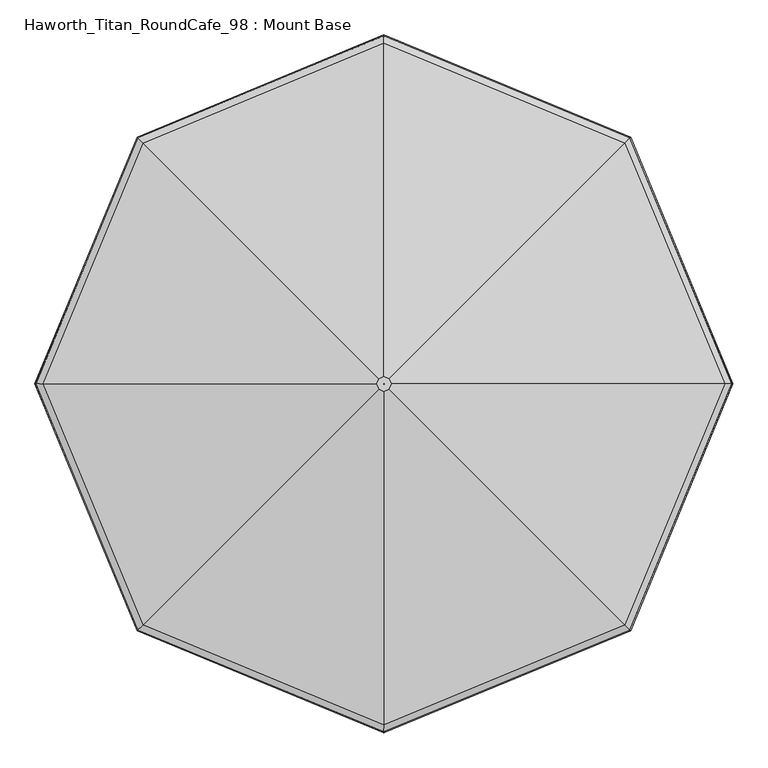
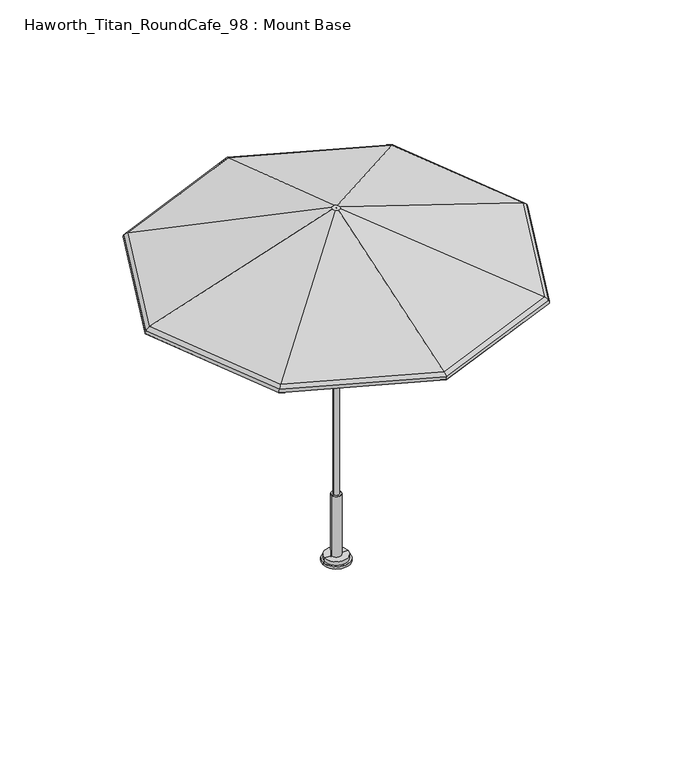
"""IFC4 building model written with IfcOpenShell, lengths in millimetres: furniture geometry, Haworth_Titan_RoundCafe_98 : Mount Base."""

from ifc_helpers import new_model, si_unit, frame, origin, place, context, project, spatial, polyline, circle_curve, ellipse_curve, source, transform, mapped, element, save
from ifc_brep_helpers import plane_surface, cylinder_surface, revolved_surface, advanced_brep


def haworth_titan_roundcafe_98_mount_base_c038d5d3(model_context):
    return source(origin(), model_context, "Body", "AdvancedBrep", [
        advanced_brep(
        [(19.5795967, -23.609512, 2449.3082423), (867.9781902, -872.00808, 2054.63825), (1227.5064869, -4.0299408, 2054.63825), (27.6897202, -4.0299408, 2449.3082423), (0.2837179, -4.3136338, 2444.7441798), (0.2837179, -4.3136338, 2449.3082423), (0.4012274, -4.0299408, 2449.3082423), (0.4012274, -4.0299408, 2444.7441798), (866.8065131, -870.8364029, 2050.3385867), (18.976283, -23.0061982, 2444.7441798), (26.8365057, -4.0299408, 2444.7441798), (1225.8494853, -4.0299408, 2050.3385867), (867.9781902, 863.9481984, 2054.63825), (19.5795967, 15.5496304, 2449.3082423), (0.2837179, -3.7462478, 2449.3082423), (0.2837179, -3.7462478, 2444.7441798), (18.976283, 14.9463167, 2444.7441798), (866.8065131, 862.7765214, 2050.3385867), (0.0, 1223.4765468, 2054.63825), (0.0, 23.6597651, 2449.3082423), (0.0, -3.6287279, 2449.3082423), (0.0, -3.6287279, 2444.7441798), (0.0, 22.8065507, 2444.7441798), (0.0, 1221.8195452, 2050.3385867), (-867.9781902, 863.9481984, 2054.63825), (-19.5795967, 15.5496304, 2449.3082423), (-0.2837179, -3.7462478, 2449.3082423), (-0.2837179, -3.7462478, 2444.7441798), (-18.976283, 14.9463167, 2444.7441798), (-866.8065131, 862.7765214, 2050.3385867), (-1227.5064869, -4.0299408, 2054.63825), (-27.6897202, -4.0299408, 2449.3082423), (-0.4012274, -4.0299408, 2449.3082423), (-0.4012274, -4.0299408, 2444.7441798), (-26.8365057, -4.0299408, 2444.7441798), (-1225.8494853, -4.0299408, 2050.3385867), (-867.9781902, -872.00808, 2054.63825), (-19.5795967, -23.609512, 2449.3082423), (-0.2837179, -4.3136338, 2449.3082423), (-0.2837179, -4.3136338, 2444.7441798), (-18.976283, -23.0061982, 2444.7441798), (-866.8065131, -870.8364029, 2050.3385867), (0.0, -1231.5364283, 2054.63825), (0.0, -31.7196467, 2449.3082423), (0.0, -4.4311536, 2449.3082423), (0.0, -4.4311536, 2444.7441798), (0.0, -30.8664322, 2444.7441798), (0.0, -1229.8794267, 2050.3385867), (888.6808391, -892.7107282, 2015.4829783), (885.3255026, -889.3553919, 2016.7551217), (1252.0392907, -4.0299408, 2016.7551217), (1256.784453, -4.0299408, 2015.4829783), (886.7474447, -890.7773339, 2034.8989025), (1254.0502205, -4.0299408, 2034.8989025), (885.3255026, 881.2955103, 2016.7551217), (888.6808391, 884.6508467, 2015.4829783), (886.7474447, 882.7174524, 2034.8989025), (0.0, 1248.0093509, 2016.7551217), (0.0, 1252.7545132, 2015.4829783), (0.0, 1250.0202807, 2034.8989025), (-885.3255026, 881.2955103, 2016.7551217), (-888.6808391, 884.6508467, 2015.4829783), (-886.7474447, 882.7174524, 2034.8989025), (-1252.0392907, -4.0299408, 2016.7551217), (-1256.784453, -4.0299408, 2015.4829783), (-1254.0502205, -4.0299408, 2034.8989025), (-885.3255026, -889.3553919, 2016.7551217), (-888.6808391, -892.7107282, 2015.4829783), (-886.7474447, -890.7773339, 2034.8989025), (0.0, -1256.0692325, 2016.7551217), (0.0, -1260.8143948, 2015.4829783), (0.0, -1258.0801623, 2034.8989025), (883.7829619, -887.8128512, 2032.4847066), (1249.8578088, -4.0299408, 2032.4847066), (883.7829619, 879.7529696, 2032.4847066), (0.0, 1245.827869, 2032.4847066), (-883.7829619, 879.7529696, 2032.4847066), (-1249.8578088, -4.0299408, 2032.4847066), (-883.7829619, -887.8128512, 2032.4847066), (0.0, -1253.8877505, 2032.4847066)],
        [
            (0, 1),
            (1, 2),
            (2, 3),
            (3, 0),
            (4, 5),
            (5, 6),
            (6, 7),
            (7, 4),
            (8, 9),
            (9, 10),
            (10, 11),
            (11, 8),
            (2, 12),
            (12, 13),
            (13, 3),
            (6, 14),
            (14, 15),
            (15, 7),
            (10, 16),
            (16, 17),
            (17, 11),
            (12, 18),
            (18, 19),
            (19, 13),
            (14, 20),
            (20, 21),
            (21, 15),
            (16, 22),
            (22, 23),
            (23, 17),
            (18, 24),
            (24, 25),
            (25, 19),
            (20, 26),
            (26, 27),
            (27, 21),
            (22, 28),
            (28, 29),
            (29, 23),
            (24, 30),
            (30, 31),
            (31, 25),
            (26, 32),
            (32, 33),
            (33, 27),
            (28, 34),
            (34, 35),
            (35, 29),
            (30, 36),
            (36, 37),
            (37, 31),
            (32, 38),
            (38, 39),
            (39, 33),
            (34, 40),
            (40, 41),
            (41, 35),
            (36, 42),
            (42, 43),
            (43, 37),
            (38, 44),
            (44, 45),
            (45, 39),
            (40, 46),
            (46, 47),
            (47, 41),
            (42, 1),
            (0, 43),
            (5, 44),
            (4, 45),
            (9, 46),
            (8, 47),
            (48, 49, ellipse_curve(frame((887.0110539, -891.0409431, 2016.1545442), z_axis=(0.7071067705718669, 0.7071067918012279, 0.0), x_axis=(0.7071067918012278, -0.707106770571867, 0.0)), 2.4707782, 2.2827014)),
            (49, 50),
            (50, 51, ellipse_curve(frame((1254.4230202, -4.0299408, 2016.1545442), z_axis=(0.0, -1.0, 0.0), x_axis=(-1.0, 0.0, 0.0)), 2.4707782, 2.2827014)),
            (51, 48),
            (52, 48, ellipse_curve(frame((871.4269242, -875.4568139, 2022.4222784), z_axis=(0.7071067705718669, 0.7071067918012279, 0.0), x_axis=(0.7071067918012278, -0.707106770571867, 0.0)), 25.5305879, 23.5871876)),
            (51, 53, ellipse_curve(frame((1232.3837333, -4.0299408, 2022.4222784), z_axis=(0.0, -1.0, 0.0), x_axis=(-1.0, 0.0, 0.0)), 25.5305877, 23.5871876)),
            (53, 52),
            (1, 52, ellipse_curve(frame((855.7116602, -859.7415504, 2009.6241856), z_axis=(0.7071067705718669, 0.7071067918012279, 0.0), x_axis=(0.7071067918012278, -0.707106770571867, 0.0)), 51.7189887, 47.782115)),
            (53, 2, ellipse_curve(frame((1210.1589943, -4.0299408, 2009.6241856), z_axis=(0.0, -1.0, 0.0), x_axis=(-1.0, 0.0, 0.0)), 51.7189881, 47.782115)),
            (50, 54),
            (54, 55, ellipse_curve(frame((887.0110539, 882.9810616, 2016.1545442), z_axis=(0.7071067705718669, -0.7071067918012278, 0.0), x_axis=(-0.7071067918012273, -0.7071067705718674, 0.0)), 2.4707782, 2.2827014)),
            (55, 51),
            (55, 56, ellipse_curve(frame((871.4269242, 867.3969324, 2022.4222784), z_axis=(0.7071067705718669, -0.7071067918012278, 0.0), x_axis=(-0.7071067918012273, -0.7071067705718674, 0.0)), 25.5305879, 23.5871876)),
            (56, 53),
            (56, 12, ellipse_curve(frame((855.7116602, 851.6816688, 2009.6241856), z_axis=(0.7071067705718669, -0.7071067918012278, 0.0), x_axis=(-0.7071067918012273, -0.7071067705718674, 0.0)), 51.7189887, 47.782115)),
            (54, 57),
            (57, 58, ellipse_curve(frame((0.0, 1250.3930804, 2016.1545442), z_axis=(1.0, 0.0, 0.0), x_axis=(0.0, -1.0, 0.0)), 2.4707782, 2.2827014)),
            (58, 55),
            (58, 59, ellipse_curve(frame((0.0, 1228.3537932, 2022.4222784), z_axis=(1.0, 0.0, 0.0), x_axis=(0.0, -1.0, 0.0)), 25.530588, 23.5871876)),
            (59, 56),
            (59, 18, ellipse_curve(frame((0.0, 1206.129054, 2009.6241856), z_axis=(1.0, 0.0, 0.0), x_axis=(0.0, -1.0, 0.0)), 51.7189888, 47.782115)),
            (57, 60),
            (60, 61, ellipse_curve(frame((-887.0110539, 882.9810616, 2016.1545442), z_axis=(0.7071067705718668, 0.7071067918012279, 0.0), x_axis=(0.7071067918012285, -0.7071067705718664, 0.0)), 2.4707782, 2.2827014)),
            (61, 58),
            (61, 62, ellipse_curve(frame((-871.4269242, 867.3969324, 2022.4222784), z_axis=(0.7071067705718668, 0.7071067918012279, 0.0), x_axis=(0.7071067918012285, -0.7071067705718664, 0.0)), 25.5305879, 23.5871876)),
            (62, 59),
            (62, 24, ellipse_curve(frame((-855.7116602, 851.6816688, 2009.6241856), z_axis=(0.7071067705718668, 0.7071067918012279, 0.0), x_axis=(0.7071067918012285, -0.7071067705718664, 0.0)), 51.7189887, 47.782115)),
            (60, 63),
            (63, 64, ellipse_curve(frame((-1254.4230202, -4.0299408, 2016.1545442), z_axis=(0.0, 1.0, 0.0), x_axis=(1.0, 0.0, 0.0)), 2.4707782, 2.2827014)),
            (64, 61),
            (64, 65, ellipse_curve(frame((-1232.3837333, -4.0299408, 2022.4222784), z_axis=(0.0, 1.0, 0.0), x_axis=(1.0, 0.0, 0.0)), 25.5305877, 23.5871876)),
            (65, 62),
            (65, 30, ellipse_curve(frame((-1210.1589943, -4.0299408, 2009.6241856), z_axis=(0.0, 1.0, 0.0), x_axis=(1.0, 0.0, 0.0)), 51.7189881, 47.782115)),
            (63, 66),
            (66, 67, ellipse_curve(frame((-887.0110539, -891.0409431, 2016.1545442), z_axis=(-0.707106770571867, 0.7071067918012278, 0.0), x_axis=(0.7071067918012279, 0.7071067705718671, 0.0)), 2.4707782, 2.2827014)),
            (67, 64),
            (67, 68, ellipse_curve(frame((-871.4269242, -875.4568139, 2022.4222784), z_axis=(-0.707106770571867, 0.7071067918012278, 0.0), x_axis=(0.7071067918012279, 0.7071067705718671, 0.0)), 25.5305879, 23.5871876)),
            (68, 65),
            (68, 36, ellipse_curve(frame((-855.7116602, -859.7415504, 2009.6241856), z_axis=(-0.707106770571867, 0.7071067918012278, 0.0), x_axis=(0.7071067918012279, 0.7071067705718671, 0.0)), 51.7189887, 47.782115)),
            (66, 69),
            (69, 70, ellipse_curve(frame((0.0, -1258.452962, 2016.1545442), z_axis=(-1.0, 0.0, 0.0), x_axis=(0.0, 1.0, 0.0)), 2.4707782, 2.2827014)),
            (70, 67),
            (70, 71, ellipse_curve(frame((0.0, -1236.4136748, 2022.4222784), z_axis=(-1.0, 0.0, 0.0), x_axis=(0.0, 1.0, 0.0)), 25.530588, 23.5871876)),
            (71, 68),
            (71, 42, ellipse_curve(frame((0.0, -1214.1889356, 2009.6241856), z_axis=(-1.0, 0.0, 0.0), x_axis=(0.0, 1.0, 0.0)), 51.7189888, 47.782115)),
            (69, 49),
            (48, 70),
            (52, 71),
            (72, 8, ellipse_curve(frame((855.7116602, -859.7415504, 2009.6241856), z_axis=(-0.7071067705718669, -0.7071067918012279, 0.0), x_axis=(-0.7071067918012278, 0.707106770571867, 0.0)), 46.778883, 43.2180525)),
            (11, 73, ellipse_curve(frame((1210.1589943, -4.0299408, 2009.6241856), z_axis=(0.0, 1.0, 0.0), x_axis=(1.0, 0.0, 0.0)), 46.7788825, 43.2180525)),
            (73, 72),
            (49, 72, ellipse_curve(frame((871.4269242, -875.4568139, 2022.4222784), z_axis=(-0.7071067705718669, -0.7071067918012279, 0.0), x_axis=(-0.7071067918012278, 0.707106770571867, 0.0)), 20.5904823, 19.0231251)),
            (73, 50, ellipse_curve(frame((1232.3837333, -4.0299408, 2022.4222784), z_axis=(0.0, 1.0, 0.0), x_axis=(1.0, 0.0, 0.0)), 20.5904821, 19.0231251)),
            (17, 74, ellipse_curve(frame((855.7116602, 851.6816688, 2009.6241856), z_axis=(-0.7071067705718669, 0.7071067918012278, 0.0), x_axis=(0.7071067918012273, 0.7071067705718674, 0.0)), 46.778883, 43.2180525)),
            (74, 73),
            (74, 54, ellipse_curve(frame((871.4269242, 867.3969324, 2022.4222784), z_axis=(-0.7071067705718669, 0.7071067918012278, 0.0), x_axis=(0.7071067918012273, 0.7071067705718674, 0.0)), 20.5904823, 19.0231251)),
            (23, 75, ellipse_curve(frame((0.0, 1206.129054, 2009.6241856), z_axis=(-1.0, 0.0, 0.0), x_axis=(0.0, 1.0, 0.0)), 46.7788831, 43.2180525)),
            (75, 74),
            (75, 57, ellipse_curve(frame((0.0, 1228.3537932, 2022.4222784), z_axis=(-1.0, 0.0, 0.0), x_axis=(0.0, 1.0, 0.0)), 20.5904823, 19.0231251)),
            (29, 76, ellipse_curve(frame((-855.7116602, 851.6816688, 2009.6241856), z_axis=(-0.7071067705718668, -0.7071067918012279, 0.0), x_axis=(-0.7071067918012285, 0.7071067705718664, 0.0)), 46.778883, 43.2180525)),
            (76, 75),
            (76, 60, ellipse_curve(frame((-871.4269242, 867.3969324, 2022.4222784), z_axis=(-0.7071067705718668, -0.7071067918012279, 0.0), x_axis=(-0.7071067918012285, 0.7071067705718664, 0.0)), 20.5904823, 19.0231251)),
            (35, 77, ellipse_curve(frame((-1210.1589943, -4.0299408, 2009.6241856), z_axis=(0.0, -1.0, 0.0), x_axis=(-1.0, 0.0, 0.0)), 46.7788825, 43.2180525)),
            (77, 76),
            (77, 63, ellipse_curve(frame((-1232.3837333, -4.0299408, 2022.4222784), z_axis=(0.0, -1.0, 0.0), x_axis=(-1.0, 0.0, 0.0)), 20.5904821, 19.0231251)),
            (41, 78, ellipse_curve(frame((-855.7116602, -859.7415504, 2009.6241856), z_axis=(0.707106770571867, -0.7071067918012278, 0.0), x_axis=(-0.7071067918012279, -0.7071067705718671, 0.0)), 46.778883, 43.2180525)),
            (78, 77),
            (78, 66, ellipse_curve(frame((-871.4269242, -875.4568139, 2022.4222784), z_axis=(0.707106770571867, -0.7071067918012278, 0.0), x_axis=(-0.7071067918012279, -0.7071067705718671, 0.0)), 20.5904823, 19.0231251)),
            (47, 79, ellipse_curve(frame((0.0, -1214.1889356, 2009.6241856), z_axis=(1.0, 0.0, 0.0), x_axis=(0.0, -1.0, 0.0)), 46.7788831, 43.2180525)),
            (79, 78),
            (79, 69, ellipse_curve(frame((0.0, -1236.4136748, 2022.4222784), z_axis=(1.0, 0.0, 0.0), x_axis=(0.0, -1.0, 0.0)), 20.5904823, 19.0231251)),
            (72, 79),
        ],
        [
            plane_surface(frame((867.9781902, -872.00808, 2054.63825), z_axis=(0.3098860594599675, -0.12835900134285777, 0.9420693164128837), x_axis=(0.3826834138500074, 0.9238795401804848, 0.0))),
            plane_surface(frame((0.2837179, -4.3136338, 2449.3082423), z_axis=(-0.9238795401805519, 0.3826834138498457, 0.0), x_axis=(0.3826834138498457, 0.9238795401805519, 0.0))),
            plane_surface(frame((18.976283, -23.0061982, 2444.7441798), z_axis=(-0.30988605945996583, 0.12835900134286157, -0.9420693164128836), x_axis=(0.3826834138500158, 0.9238795401804812, 0.0))),
            plane_surface(frame((1227.5064869, -4.0299408, 2054.63825), z_axis=(0.3098860594599674, 0.1283590013428578, 0.9420693164128837), x_axis=(-0.38268341385000754, 0.9238795401804847, 0.0))),
            plane_surface(frame((0.4012274, -4.0299408, 2449.3082423), z_axis=(-0.9238795401804236, -0.38268341385015503, 0.0), x_axis=(-0.38268341385015503, 0.9238795401804236, 0.0))),
            plane_surface(frame((26.8365057, -4.0299408, 2444.7441798), z_axis=(-0.3098860594599669, -0.12835900134285932, -0.9420693164128837), x_axis=(-0.38268341385000904, 0.9238795401804841, 0.0))),
            plane_surface(frame((867.9781902, 863.9481984, 2054.63825), z_axis=(0.12835901064652352, 0.30988605560626115, 0.9420693164128842), x_axis=(-0.9238795286912376, 0.3826834415875042, 0.0))),
            plane_surface(frame((0.2837179, -3.7462478, 2449.3082423), z_axis=(-0.3826834415882052, -0.9238795286909472, 0.0), x_axis=(-0.9238795286909472, 0.3826834415882052, 0.0))),
            plane_surface(frame((18.976283, 14.9463167, 2444.7441798), z_axis=(-0.12835901064652197, -0.309886055606262, -0.9420693164128842), x_axis=(-0.9238795286912361, 0.38268344158750756, 0.0))),
            plane_surface(frame((0.0, 1223.4765468, 2054.63825), z_axis=(-0.12835901064652352, 0.3098860556062612, 0.9420693164128842), x_axis=(-0.9238795286912376, -0.3826834415875041, 0.0))),
            plane_surface(frame((0.0, -3.6287279, 2449.3082423), z_axis=(0.3826834415881674, -0.9238795286909629, 0.0), x_axis=(-0.9238795286909629, -0.3826834415881674, 1.7630868610491193e-12))),
            plane_surface(frame((0.0, 22.8065507, 2444.7441798), z_axis=(0.12835901064650254, -0.3098860556062698, -0.9420693164128842), x_axis=(-0.9238795286912317, -0.38268344158751827, 0.0))),
            plane_surface(frame((-867.9781902, 863.9481984, 2054.63825), z_axis=(-0.3098860594599674, 0.1283590013428577, 0.9420693164128838), x_axis=(-0.3826834138500073, -0.9238795401804849, 0.0))),
            plane_surface(frame((-0.2837179, -3.7462478, 2449.3082423), z_axis=(0.9238795401804988, -0.3826834138499735, 0.0), x_axis=(-0.3826834138499735, -0.9238795401804988, 0.0))),
            plane_surface(frame((-18.976283, 14.9463167, 2444.7441798), z_axis=(0.309886059459966, -0.12835900134286143, -0.9420693164128837), x_axis=(-0.38268341385001536, -0.9238795401804816, 0.0))),
            plane_surface(frame((-1227.5064869, -4.0299408, 2054.63825), z_axis=(-0.30988605945996744, -0.12835900134285777, 0.9420693164128836), x_axis=(0.3826834138500075, -0.9238795401804848, 0.0))),
            plane_surface(frame((-0.4012274, -4.0299408, 2449.3082423), z_axis=(0.9238795401804434, 0.3826834138501074, 0.0), x_axis=(0.3826834138501074, -0.9238795401804434, 0.0))),
            plane_surface(frame((-26.8365057, -4.0299408, 2444.7441798), z_axis=(0.30988605945996417, 0.1283590013428655, -0.9420693164128837), x_axis=(0.3826834138500276, -0.9238795401804764, 0.0))),
            plane_surface(frame((-867.9781902, -872.00808, 2054.63825), z_axis=(-0.12835901064652355, -0.30988605560626115, 0.9420693164128843), x_axis=(0.9238795286912376, -0.3826834415875043, 0.0))),
            plane_surface(frame((-0.2837179, -4.3136338, 2449.3082423), z_axis=(0.38268344158750667, 0.9238795286912367, 0.0), x_axis=(0.9238795286912367, -0.38268344158750667, -1.7630868610541979e-12))),
            plane_surface(frame((-18.976283, -23.0061982, 2444.7441798), z_axis=(0.12835901064652216, 0.30988605560626176, -0.9420693164128844), x_axis=(0.9238795286912359, -0.38268344158750833, 0.0))),
            plane_surface(frame((0.0, -1231.5364283, 2054.63825), z_axis=(0.12835901064652355, -0.30988605560626103, 0.9420693164128844), x_axis=(0.9238795286912376, 0.3826834415875044, 0.0))),
            plane_surface(frame((0.0, -31.7196467, 2449.3082423), z_axis=(0.0, 0.0, 1.0000000000000002), x_axis=(0.9238795286912374, 0.38268344158750495, 0.0))),
            plane_surface(frame((0.0, -4.4311536, 2449.3082423), z_axis=(-0.3826834415880379, 0.9238795286910165, 0.0), x_axis=(0.9238795286910165, 0.3826834415880379, 1.7630868610505533e-12))),
            plane_surface(frame((0.0, -4.4311536, 2444.7441798), z_axis=(0.0, 0.0, -1.0), x_axis=(0.9238795286912637, 0.38268344158744133, 0.0))),
            plane_surface(frame((0.0, -30.8664322, 2444.7441798), z_axis=(-0.1283590106464981, 0.3098860556062716, -0.9420693164128844), x_axis=(0.9238795286912372, 0.38268344158750517, 0.0))),
            cylinder_surface(frame((885.6093569, -894.4249392, 2016.1545442), z_axis=(-0.3826834138500074, -0.9238795401804848, 0.0), x_axis=(-0.9238795401804848, 0.3826834138500074, 0.0)), 2.2827014),
            cylinder_surface(frame((866.7976485, -886.6328749, 2022.4222784), z_axis=(-0.3826834138500074, -0.9238795401804848, 0.0), x_axis=(-0.9238795401804848, 0.3826834138500074, 0.0)), 23.5871876),
            cylinder_surface(frame((847.8276469, -878.7752434, 2009.6241856), z_axis=(-0.3826834138500074, -0.9238795401804848, 0.0), x_axis=(-0.9238795401804848, 0.3826834138500074, 0.0)), 47.782115),
            cylinder_surface(frame((1255.8247171, -7.4139366, 2016.1545442), z_axis=(0.38268341385000737, -0.9238795401804849, 0.0), x_axis=(-0.9238795401804849, -0.38268341385000737, 0.0)), 2.2827014),
            cylinder_surface(frame((1237.0130087, -15.2060009, 2022.4222784), z_axis=(0.38268341385000737, -0.9238795401804849, 0.0), x_axis=(-0.9238795401804849, -0.38268341385000737, 0.0)), 23.5871876),
            cylinder_surface(frame((1218.0430071, -23.0636324, 2009.6241856), z_axis=(0.38268341385000737, -0.9238795401804849, 0.0), x_axis=(-0.9238795401804849, -0.38268341385000737, 0.0)), 47.782115),
            cylinder_surface(frame((890.3950499, 881.5793645, 2016.1545442), z_axis=(0.9238795286912376, -0.38268344158750417, 0.0), x_axis=(-0.38268344158750417, -0.9238795286912376, 0.0)), 2.2827014),
            cylinder_surface(frame((882.6029851, 862.7676563, 2022.4222784), z_axis=(0.9238795286912376, -0.38268344158750417, 0.0), x_axis=(-0.38268344158750417, -0.9238795286912376, 0.0)), 23.5871876),
            cylinder_surface(frame((874.745353, 843.7976549, 2009.6241856), z_axis=(0.9238795286912376, -0.38268344158750417, 0.0), x_axis=(-0.38268344158750417, -0.9238795286912376, 0.0)), 47.782115),
            cylinder_surface(frame((3.3839961, 1251.7947775, 2016.1545442), z_axis=(0.9238795286912376, 0.3826834415875045, 0.0), x_axis=(0.3826834415875045, -0.9238795286912376, 0.0)), 2.2827014),
            cylinder_surface(frame((11.176061, 1232.9830694, 2022.4222784), z_axis=(0.9238795286912376, 0.3826834415875045, 0.0), x_axis=(0.3826834415875045, -0.9238795286912376, 0.0)), 23.5871876),
            cylinder_surface(frame((19.033693, 1214.013068, 2009.6241856), z_axis=(0.9238795286912376, 0.3826834415875045, 0.0), x_axis=(0.3826834415875045, -0.9238795286912376, 0.0)), 47.782115),
            cylinder_surface(frame((-885.6093569, 886.3650576, 2016.1545442), z_axis=(0.3826834138500073, 0.9238795401804848, 0.0), x_axis=(0.9238795401804848, -0.3826834138500073, 0.0)), 2.2827014),
            cylinder_surface(frame((-866.7976485, 878.5729933, 2022.4222784), z_axis=(0.3826834138500073, 0.9238795401804848, 0.0), x_axis=(0.9238795401804848, -0.3826834138500073, 0.0)), 23.5871876),
            cylinder_surface(frame((-847.8276469, 870.7153618, 2009.6241856), z_axis=(0.3826834138500073, 0.9238795401804848, 0.0), x_axis=(0.9238795401804848, -0.3826834138500073, 0.0)), 47.782115),
            cylinder_surface(frame((-1255.8247171, -0.6459449, 2016.1545442), z_axis=(-0.3826834138500074, 0.9238795401804848, 0.0), x_axis=(0.9238795401804848, 0.3826834138500074, 0.0)), 2.2827014),
            cylinder_surface(frame((-1237.0130087, 7.1461194, 2022.4222784), z_axis=(-0.3826834138500074, 0.9238795401804848, 0.0), x_axis=(0.9238795401804848, 0.3826834138500074, 0.0)), 23.5871876),
            cylinder_surface(frame((-1218.0430071, 15.0037509, 2009.6241856), z_axis=(-0.3826834138500074, 0.9238795401804848, 0.0), x_axis=(0.9238795401804848, 0.3826834138500074, 0.0)), 47.782115),
            cylinder_surface(frame((-890.3950499, -889.639246, 2016.1545442), z_axis=(-0.9238795286912376, 0.3826834415875041, 0.0), x_axis=(0.3826834415875041, 0.9238795286912376, 0.0)), 2.2827014),
            cylinder_surface(frame((-882.6029851, -870.8275378, 2022.4222784), z_axis=(-0.9238795286912376, 0.3826834415875041, 0.0), x_axis=(0.3826834415875041, 0.9238795286912376, 0.0)), 23.5871876),
            cylinder_surface(frame((-874.745353, -851.8575365, 2009.6241856), z_axis=(-0.9238795286912376, 0.3826834415875041, 0.0), x_axis=(0.3826834415875041, 0.9238795286912376, 0.0)), 47.782115),
            cylinder_surface(frame((-3.3839961, -1259.8546591, 2016.1545442), z_axis=(-0.9238795286912376, -0.3826834415875045, 0.0), x_axis=(-0.3826834415875045, 0.9238795286912376, 0.0)), 2.2827014),
            cylinder_surface(frame((-11.176061, -1241.0429509, 2022.4222784), z_axis=(-0.9238795286912376, -0.3826834415875045, 0.0), x_axis=(-0.3826834415875045, 0.9238795286912376, 0.0)), 23.5871876),
            cylinder_surface(frame((-19.033693, -1222.0729496, 2009.6241856), z_axis=(-0.9238795286912376, -0.3826834415875045, 0.0), x_axis=(-0.3826834415875045, 0.9238795286912376, 0.0)), 47.782115),
            revolved_surface(polyline([(1177.0813279177353, 29.04772291639233, 2009.6241856), (808.9327772004092, -859.7415515729037, 2009.6241856)]), (847.8276469, -878.7752434, 2009.6241856), (0.3826834138500074, 0.9238795401804848, 0.0)),
            revolved_surface(polyline([(1217.8240632036184, 10.529728133929439, 2022.4222784), (850.8364419865392, -875.4568144520437, 2022.4222784)]), (866.7976485, -886.6328749, 2022.4222784), (0.3826834138500074, 0.9238795401804848, 0.0)),
            revolved_surface(polyline([(808.9327772202232, 851.6816699811113, 2009.6241856), (1177.0813279375493, -37.10760450818483, 2009.6241856)]), (1218.0430071, -23.0636324, 2009.6241856), (-0.38268341385000737, 0.9238795401804849, 0.0)),
            revolved_surface(polyline([(850.8364419709978, 867.3969329456064, 2022.4222784), (1217.8240632234324, -18.589609725721992, 2022.4222784)]), (1237.0130087, -15.2060009, 2022.4222784), (-0.38268341385000737, 0.9238795401804849, 0.0)),
            revolved_surface(polyline([(-33.07766613995125, 1173.05138914796, 2009.6241856), (855.7116599637476, 804.9027857890122, 2009.6241856)]), (874.745353, 843.7976549, 2009.6241856), (-0.9238795286912376, 0.38268344158750417, 0.0)),
            revolved_surface(polyline([(-14.55966994483424, 1213.794123847939, 2022.4222784), (871.4269241167767, 846.8064501452996, 2022.4222784)]), (882.6029851, 862.7676563, 2022.4222784), (-0.9238795286912376, 0.38268344158750417, 0.0)),
            revolved_surface(polyline([(-855.7116599740738, 804.9027858139414, 2009.6241856), (33.07766612962508, 1173.0513891728895, 2009.6241856)]), (19.033693, 1214.013068, 2009.6241856), (-0.9238795286912376, -0.3826834415875045, 0.0)),
            revolved_surface(polyline([(-871.4269241124583, 846.8064501348736, 2022.4222784), (14.559669949152642, 1213.7941238375133, 2022.4222784)]), (11.176061, 1232.9830694, 2022.4222784), (-0.9238795286912376, -0.3826834415875045, 0.0)),
            revolved_surface(polyline([(-1177.081327917735, -37.10760451639214, 2009.6241856), (-808.9327772004092, 851.6816699729037, 2009.6241856)]), (-847.8276469, 870.7153618, 2009.6241856), (-0.3826834138500073, -0.9238795401804848, 0.0)),
            revolved_surface(polyline([(-1217.8240632036182, -18.58960973392925, 2022.4222784), (-850.8364419511838, 867.3969329373989, 2022.4222784)]), (-866.7976485, 878.5729933, 2022.4222784), (-0.3826834138500073, -0.9238795401804848, 0.0)),
            revolved_surface(polyline([(-808.932777184868, -859.7415515664663, 2009.6241856), (-1177.0813279021938, 29.047722922829497, 2009.6241856)]), (-1218.0430071, 15.0037509, 2009.6241856), (0.3826834138500074, -0.9238795401804848, 0.0)),
            revolved_surface(polyline([(-850.8364419709978, -875.4568144456061, 2022.4222784), (-1217.8240631880772, 10.529728140366657, 2022.4222784)]), (-1237.0130087, 7.1461194, 2022.4222784), (0.3826834138500074, -0.9238795401804848, 0.0)),
            revolved_surface(polyline([(33.07766613995125, -1181.11127074796, 2009.6241856), (-855.7116599637476, -812.9626673890123, 2009.6241856)]), (-874.745353, -851.8575365, 2009.6241856), (0.9238795286912376, -0.3826834415875041, 0.0)),
            revolved_surface(polyline([(14.559669980189597, -1221.8540053625836, 2022.4222784), (-871.4269241167767, -854.8663316452995, 2022.4222784)]), (-882.6029851, -870.8275378, 2022.4222784), (0.9238795286912376, -0.3826834415875041, 0.0)),
            revolved_surface(polyline([(855.7116599740737, -812.9626674139414, 2009.6241856), (-33.07766612962508, -1181.1112707728894, 2009.6241856)]), (-19.033693, -1222.0729496, 2009.6241856), (0.9238795286912376, 0.3826834415875045, 0.0)),
            revolved_surface(polyline([(871.4269241124583, -854.8663316348736, 2022.4222784), (-14.559669984508012, -1221.854005352158, 2022.4222784)]), (-11.176061, -1241.0429509, 2022.4222784), (0.9238795286912376, 0.3826834415875045, 0.0)),
        ],
        [
            (0, [[1, 2, 3, 4]]),
            (1, [[5, 6, 7, 8]]),
            (2, [[9, 10, 11, 12]]),
            (3, [[-3, 13, 14, 15]]),
            (4, [[-7, 16, 17, 18]]),
            (5, [[-11, 19, 20, 21]]),
            (6, [[-14, 22, 23, 24]]),
            (7, [[-17, 25, 26, 27]]),
            (8, [[-20, 28, 29, 30]]),
            (9, [[-23, 31, 32, 33]]),
            (10, [[-26, 34, 35, 36]]),
            (11, [[-29, 37, 38, 39]]),
            (12, [[-32, 40, 41, 42]]),
            (13, [[-35, 43, 44, 45]]),
            (14, [[-38, 46, 47, 48]]),
            (15, [[-41, 49, 50, 51]]),
            (16, [[-44, 52, 53, 54]]),
            (17, [[-47, 55, 56, 57]]),
            (18, [[-50, 58, 59, 60]]),
            (19, [[-53, 61, 62, 63]]),
            (20, [[-56, 64, 65, 66]]),
            (21, [[-59, 67, -1, 68]]),
            (22, [[-51, -60, -68, -4, -15, -24, -33, -42], [69, -61, -52, -43, -34, -25, -16, -6]]),
            (23, [[-62, -69, -5, 70]]),
            (24, [[71, -64, -55, -46, -37, -28, -19, -10], [-54, -63, -70, -8, -18, -27, -36, -45]]),
            (25, [[-65, -71, -9, 72]]),
            (26, [[73, 74, 75, 76]]),
            (27, [[77, -76, 78, 79]]),
            (28, [[80, -79, 81, -2]]),
            (29, [[-75, 82, 83, 84]]),
            (30, [[-78, -84, 85, 86]]),
            (31, [[-81, -86, 87, -13]]),
            (32, [[-83, 88, 89, 90]]),
            (33, [[-85, -90, 91, 92]]),
            (34, [[-87, -92, 93, -22]]),
            (35, [[-89, 94, 95, 96]]),
            (36, [[-91, -96, 97, 98]]),
            (37, [[-93, -98, 99, -31]]),
            (38, [[-95, 100, 101, 102]]),
            (39, [[-97, -102, 103, 104]]),
            (40, [[-99, -104, 105, -40]]),
            (41, [[-101, 106, 107, 108]]),
            (42, [[-103, -108, 109, 110]]),
            (43, [[-105, -110, 111, -49]]),
            (44, [[-107, 112, 113, 114]]),
            (45, [[-109, -114, 115, 116]]),
            (46, [[-111, -116, 117, -58]]),
            (47, [[-113, 118, -73, 119]]),
            (48, [[-115, -119, -77, 120]]),
            (49, [[-117, -120, -80, -67]]),
            (50, [[121, -12, 122, 123]]),
            (51, [[124, -123, 125, -74]]),
            (52, [[-122, -21, 126, 127]]),
            (53, [[-125, -127, 128, -82]]),
            (54, [[-126, -30, 129, 130]]),
            (55, [[-128, -130, 131, -88]]),
            (56, [[-129, -39, 132, 133]]),
            (57, [[-131, -133, 134, -94]]),
            (58, [[-132, -48, 135, 136]]),
            (59, [[-134, -136, 137, -100]]),
            (60, [[-135, -57, 138, 139]]),
            (61, [[-137, -139, 140, -106]]),
            (62, [[-138, -66, 141, 142]]),
            (63, [[-140, -142, 143, -112]]),
            (64, [[-141, -72, -121, 144]]),
            (65, [[-143, -144, -124, -118]]),
        ],
    ),
        advanced_brep(
        [(-88.9, -4.0299408, 15.8750008), (88.9, -4.0299408, 15.8750008), (88.9, -4.0299408, 0.0), (-88.9, -4.0299408, 0.0), (-76.2, -4.0299408, 15.8750008), (76.2, -4.0299408, 15.8750008), (-76.2, -4.0299408, 41.2750008), (76.2, -4.0299408, 41.2750008), (0.0, -4.0299408, 41.2750008), (0.0, -4.0299408, 0.0)],
        [
            (0, 1, circle_curve(frame((0.0, -4.0299408, 15.8750008), z_axis=(0.0, 0.0, -1.0), x_axis=(1.0, 0.0, 0.0)), 88.9)),
            (1, 2),
            (2, 3, circle_curve(frame((0.0, -4.0299408, 0.0), z_axis=(0.0, 0.0, 1.0), x_axis=(1.0, 0.0, 0.0)), 88.9)),
            (3, 0),
            (1, 0, circle_curve(frame((0.0, -4.0299408, 15.8750008), z_axis=(0.0, 0.0, -1.0), x_axis=(1.0, 0.0, 0.0)), 88.9)),
            (3, 2, circle_curve(frame((0.0, -4.0299408, 0.0), z_axis=(0.0, 0.0, 1.0), x_axis=(1.0, 0.0, 0.0)), 88.9)),
            (4, 5, circle_curve(frame((0.0, -4.0299408, 15.8750008), z_axis=(0.0, 0.0, -1.0), x_axis=(1.0, 0.0, 0.0)), 76.2)),
            (5, 1),
            (0, 4),
            (5, 4, circle_curve(frame((0.0, -4.0299408, 15.8750008), z_axis=(0.0, 0.0, -1.0), x_axis=(1.0, 0.0, 0.0)), 76.2)),
            (6, 7, circle_curve(frame((0.0, -4.0299408, 41.2750008), z_axis=(0.0, 0.0, -1.0), x_axis=(1.0, 0.0, 0.0)), 76.2)),
            (7, 5),
            (4, 6),
            (7, 6, circle_curve(frame((0.0, -4.0299408, 41.2750008), z_axis=(0.0, 0.0, -1.0), x_axis=(1.0, 0.0, 0.0)), 76.2)),
            (8, 7),
            (6, 8),
            (2, 9),
            (9, 3),
        ],
        [
            cylinder_surface(frame((0.0, -4.0299408, 161.9250008), z_axis=(0.0, 0.0, 1.0), x_axis=(1.0, 0.0, 0.0)), 88.9),
            plane_surface(frame((0.0, -4.0299408, 15.8750008), z_axis=(0.0, 0.0, 1.0), x_axis=(1.0, 0.0, 0.0))),
            cylinder_surface(frame((0.0, -4.0299408, 161.9250008), z_axis=(0.0, 0.0, 1.0), x_axis=(1.0, 0.0, 0.0)), 76.2),
            plane_surface(frame((0.0, -4.0299408, 41.2750008), z_axis=(0.0, 0.0, 1.0), x_axis=(1.0, 0.0, 0.0))),
            plane_surface(frame((0.0, -4.0299408, 0.0), z_axis=(0.0, 0.0, -1.0), x_axis=(1.0, 0.0, 0.0))),
        ],
        [
            (0, [[1, 2, 3, 4]]),
            (0, [[5, -4, 6, -2]]),
            (1, [[7, 8, -1, 9]]),
            (1, [[10, -9, -5, -8]]),
            (2, [[11, 12, -7, 13]]),
            (2, [[14, -13, -10, -12]]),
            (3, [[15, -11, 16]]),
            (3, [[-16, -14, -15]]),
            (4, [[-3, 17, 18]]),
            (4, [[-6, -18, -17]]),
        ],
    ),
        advanced_brep(
        [(-19.05, -4.0299408, 463.5500121), (19.05, -4.0299408, 463.5500121), (31.7499992, -4.0299408, 463.5500121), (-31.7499992, -4.0299408, 463.5500121), (-19.05, -4.0299408, 1873.1507813), (19.05, -4.0299408, 1873.1507813), (0.0, -4.0299408, 1873.1507813), (-31.7499992, -4.0299408, 25.4), (31.7499992, -4.0299408, 25.4), (0.0, -4.0299408, 25.4)],
        [
            (0, 1, circle_curve(frame((0.0, -4.0299408, 463.5500121), z_axis=(0.0, 0.0, -1.0), x_axis=(1.0, 0.0, 0.0)), 19.05)),
            (1, 2),
            (2, 3, circle_curve(frame((0.0, -4.0299408, 463.5500121), z_axis=(0.0, 0.0, 1.0), x_axis=(1.0, 0.0, 0.0)), 31.7499992)),
            (3, 0),
            (1, 0, circle_curve(frame((0.0, -4.0299408, 463.5500121), z_axis=(0.0, 0.0, -1.0), x_axis=(1.0, 0.0, 0.0)), 19.05)),
            (3, 2, circle_curve(frame((0.0, -4.0299408, 463.5500121), z_axis=(0.0, 0.0, 1.0), x_axis=(1.0, 0.0, 0.0)), 31.7499992)),
            (4, 5, circle_curve(frame((0.0, -4.0299408, 1873.1507813), z_axis=(0.0, 0.0, -1.0), x_axis=(1.0, 0.0, 0.0)), 19.05)),
            (5, 1),
            (0, 4),
            (5, 4, circle_curve(frame((0.0, -4.0299408, 1873.1507813), z_axis=(0.0, 0.0, -1.0), x_axis=(1.0, 0.0, 0.0)), 19.05)),
            (6, 5),
            (4, 6),
            (7, 8, circle_curve(frame((0.0, -4.0299408, 25.4), z_axis=(0.0, 0.0, -1.0), x_axis=(1.0, 0.0, 0.0)), 31.7499992)),
            (8, 9),
            (9, 7),
            (8, 7, circle_curve(frame((0.0, -4.0299408, 25.4), z_axis=(0.0, 0.0, -1.0), x_axis=(1.0, 0.0, 0.0)), 31.7499992)),
            (2, 8),
            (7, 3),
        ],
        [
            plane_surface(frame((0.0, -4.0299408, 463.5500121), z_axis=(0.0, 0.0, 1.0), x_axis=(1.0, 0.0, 0.0))),
            cylinder_surface(frame((0.0, -4.0299408, 2736.7507813), z_axis=(0.0, 0.0, 1.0), x_axis=(1.0, 0.0, 0.0)), 19.05),
            plane_surface(frame((0.0, -4.0299408, 1873.1507813), z_axis=(0.0, 0.0, 1.0), x_axis=(1.0, 0.0, 0.0))),
            plane_surface(frame((0.0, -4.0299408, 25.4), z_axis=(0.0, 0.0, -1.0), x_axis=(1.0, 0.0, 0.0))),
            cylinder_surface(frame((0.0, -4.0299408, 2736.7507813), z_axis=(0.0, 0.0, 1.0), x_axis=(1.0, 0.0, 0.0)), 31.7499992),
        ],
        [
            (0, [[1, 2, 3, 4]]),
            (0, [[5, -4, 6, -2]]),
            (1, [[7, 8, -1, 9]]),
            (1, [[10, -9, -5, -8]]),
            (2, [[11, -7, 12]]),
            (2, [[-12, -10, -11]]),
            (3, [[13, 14, 15]]),
            (3, [[16, -15, -14]]),
            (4, [[-3, 17, -13, 18]]),
            (4, [[-6, -18, -16, -17]]),
        ],
    ),
    ])


if __name__ == "__main__":
    model = new_model("IFC4")
    model_context = context("Model", 3, world=origin())
    ifc_project = project(units=[si_unit("LENGTHUNIT", "METRE", prefix="MILLI")], contexts=[model_context])
    site = spatial("IfcSite", under=ifc_project)
    building = spatial("IfcBuilding", under=site)
    placement = place(None, origin())
    haworth_titan_roundcafe_98_mount_base_shape = haworth_titan_roundcafe_98_mount_base_c038d5d3(model_context)
    element("IfcFurniture", 1, ObjectType="Haworth_Titan_RoundCafe_98 : Mount Base", at=placement, inside=building, context=model_context, shape_type="MappedRepresentation", body=[
        mapped(haworth_titan_roundcafe_98_mount_base_shape, transform((0.0, 0.0, 0.0), x_axis=(1.0, 0.0, 0.0), y_axis=(0.0, 1.0, 0.0), z_axis=(0.0, 0.0, 1.0))),
    ])
    save(model, "model.ifc")
